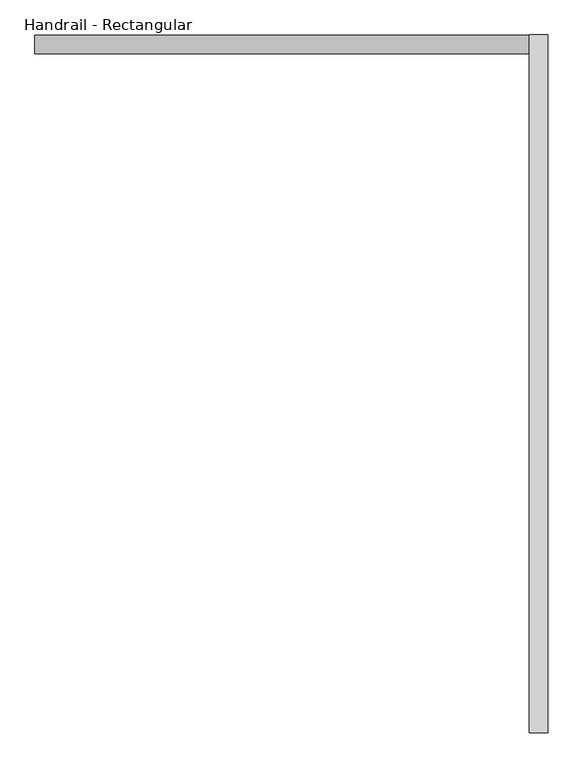
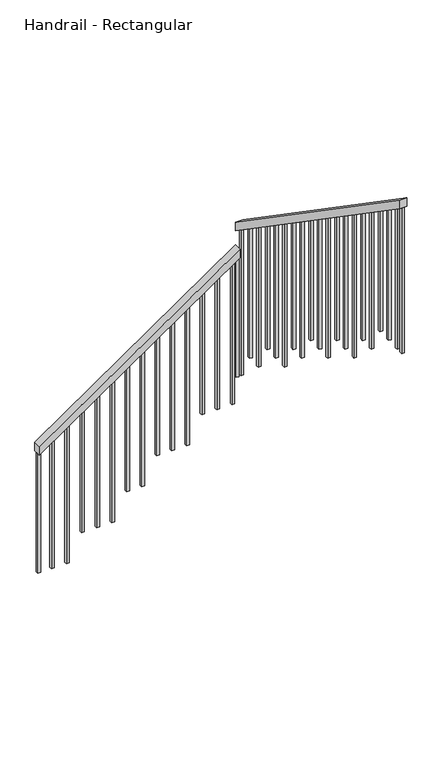
"""IFC4 building model written with IfcOpenShell, lengths in millimetres: railing geometry, Handrail - Rectangular."""

from ifc_helpers import new_model, si_unit, frame, origin, place, context, project, spatial, polyline, outline, extrude, source, transform, mapped, element, save


def handrail_rectangular_86a47a5f(model_context):
    return source(origin(), model_context, "Body", "SweptSolid", [
        extrude(outline(polyline([(-1349.8857143, 1316.6034014), (-1411.5425818, 1316.6034014), (-478.6034284, 2672.9534014), (-416.9465608, 2672.9534014), (-1349.8857143, 1316.6034014)])), frame((0.0, 3511.8058469, 0.0), z_axis=(0.0, 1.0, 0.0), x_axis=(0.0, 0.0, 1.0)), (0.0, 0.0, 1.0), 50.8),
        extrude(outline(polyline([(3562.6058469, -253.0708995), (3562.6058469, -314.727767), (1647.2058469, 1002.7431325), (1647.2058469, 1064.4), (3562.6058469, -253.0708995)])), frame((2672.9534014, 0.0, 0.0), z_axis=(1.0, 0.0, 0.0), x_axis=(0.0, 1.0, 0.0)), (0.0, 0.0, 1.0), 50.8),
        extrude(outline(polyline([(1698.8808469, 967.1994817), (1717.9308469, 954.0963071), (1717.9308469, -35.7142857), (1698.8808469, -35.7142857), (1698.8808469, 967.1994817)])), frame((2688.8284014, 0.0, 0.0), z_axis=(1.0, 0.0, 0.0), x_axis=(0.0, 1.0, 0.0)), (0.0, 0.0, 1.0), 19.05),
        extrude(outline(polyline([(1800.4808469, 897.3158838), (1819.5308469, 884.2127092), (1819.5308469, -35.7142857), (1800.4808469, -35.7142857), (1800.4808469, 897.3158838)])), frame((2688.8284014, 0.0, 0.0), z_axis=(1.0, 0.0, 0.0), x_axis=(0.0, 1.0, 0.0)), (0.0, 0.0, 1.0), 19.05),
        extrude(outline(polyline([(1902.0808469, 827.4322859), (1921.1308469, 814.3291113), (1921.1308469, -35.7142857), (1902.0808469, -35.7142857), (1902.0808469, 827.4322859)])), frame((2688.8284014, 0.0, 0.0), z_axis=(1.0, 0.0, 0.0), x_axis=(0.0, 1.0, 0.0)), (0.0, 0.0, 1.0), 19.05),
        extrude(outline(polyline([(2003.6808469, 757.548688), (2022.7308469, 744.4455134), (2022.7308469, -221.4285714), (2003.6808469, -221.4285714), (2003.6808469, 757.548688)])), frame((2688.8284014, 0.0, 0.0), z_axis=(1.0, 0.0, 0.0), x_axis=(0.0, 1.0, 0.0)), (0.0, 0.0, 1.0), 19.05),
        extrude(outline(polyline([(2105.2808469, 687.6650901), (2124.3308469, 674.5619155), (2124.3308469, -221.4285714), (2105.2808469, -221.4285714), (2105.2808469, 687.6650901)])), frame((2688.8284014, 0.0, 0.0), z_axis=(1.0, 0.0, 0.0), x_axis=(0.0, 1.0, 0.0)), (0.0, 0.0, 1.0), 19.05),
        extrude(outline(polyline([(2206.8808469, 617.7814923), (2225.9308469, 604.6783177), (2225.9308469, -407.1428571), (2206.8808469, -407.1428571), (2206.8808469, 617.7814923)])), frame((2688.8284014, 0.0, 0.0), z_axis=(1.0, 0.0, 0.0), x_axis=(0.0, 1.0, 0.0)), (0.0, 0.0, 1.0), 19.05),
        extrude(outline(polyline([(2308.4808469, 547.8978944), (2327.5308469, 534.7947198), (2327.5308469, -407.1428571), (2308.4808469, -407.1428571), (2308.4808469, 547.8978944)])), frame((2688.8284014, 0.0, 0.0), z_axis=(1.0, 0.0, 0.0), x_axis=(0.0, 1.0, 0.0)), (0.0, 0.0, 1.0), 19.05),
        extrude(outline(polyline([(2410.0808469, 478.0142965), (2429.1308469, 464.9111219), (2429.1308469, -407.1428571), (2410.0808469, -407.1428571), (2410.0808469, 478.0142965)])), frame((2688.8284014, 0.0, 0.0), z_axis=(1.0, 0.0, 0.0), x_axis=(0.0, 1.0, 0.0)), (0.0, 0.0, 1.0), 19.05),
        extrude(outline(polyline([(2511.6808469, 408.1306986), (2530.7308469, 395.027524), (2530.7308469, -592.8571429), (2511.6808469, -592.8571429), (2511.6808469, 408.1306986)])), frame((2688.8284014, 0.0, 0.0), z_axis=(1.0, 0.0, 0.0), x_axis=(0.0, 1.0, 0.0)), (0.0, 0.0, 1.0), 19.05),
        extrude(outline(polyline([(2613.2808469, 338.2471007), (2632.3308469, 325.1439261), (2632.3308469, -592.8571429), (2613.2808469, -592.8571429), (2613.2808469, 338.2471007)])), frame((2688.8284014, 0.0, 0.0), z_axis=(1.0, 0.0, 0.0), x_axis=(0.0, 1.0, 0.0)), (0.0, 0.0, 1.0), 19.05),
        extrude(outline(polyline([(2714.8808469, 268.3635028), (2733.9308469, 255.2603282), (2733.9308469, -592.8571429), (2714.8808469, -592.8571429), (2714.8808469, 268.3635028)])), frame((2688.8284014, 0.0, 0.0), z_axis=(1.0, 0.0, 0.0), x_axis=(0.0, 1.0, 0.0)), (0.0, 0.0, 1.0), 19.05),
        extrude(outline(polyline([(2816.4808469, 198.479905), (2835.5308469, 185.3767304), (2835.5308469, -778.5714286), (2816.4808469, -778.5714286), (2816.4808469, 198.479905)])), frame((2688.8284014, 0.0, 0.0), z_axis=(1.0, 0.0, 0.0), x_axis=(0.0, 1.0, 0.0)), (0.0, 0.0, 1.0), 19.05),
        extrude(outline(polyline([(2918.0808469, 128.5963071), (2937.1308469, 115.4931325), (2937.1308469, -778.5714286), (2918.0808469, -778.5714286), (2918.0808469, 128.5963071)])), frame((2688.8284014, 0.0, 0.0), z_axis=(1.0, 0.0, 0.0), x_axis=(0.0, 1.0, 0.0)), (0.0, 0.0, 1.0), 19.05),
        extrude(outline(polyline([(3019.6808469, 58.7127092), (3038.7308469, 45.6095346), (3038.7308469, -964.2857143), (3019.6808469, -964.2857143), (3019.6808469, 58.7127092)])), frame((2688.8284014, 0.0, 0.0), z_axis=(1.0, 0.0, 0.0), x_axis=(0.0, 1.0, 0.0)), (0.0, 0.0, 1.0), 19.05),
        extrude(outline(polyline([(3121.2808469, -11.1708887), (3140.3308469, -24.2740633), (3140.3308469, -964.2857143), (3121.2808469, -964.2857143), (3121.2808469, -11.1708887)])), frame((2688.8284014, 0.0, 0.0), z_axis=(1.0, 0.0, 0.0), x_axis=(0.0, 1.0, 0.0)), (0.0, 0.0, 1.0), 19.05),
        extrude(outline(polyline([(3222.8808469, -81.0544866), (3241.9308469, -94.1576612), (3241.9308469, -964.2857143), (3222.8808469, -964.2857143), (3222.8808469, -81.0544866)])), frame((2688.8284014, 0.0, 0.0), z_axis=(1.0, 0.0, 0.0), x_axis=(0.0, 1.0, 0.0)), (0.0, 0.0, 1.0), 19.05),
        extrude(outline(polyline([(3324.4808469, -150.9380845), (3343.5308469, -164.0412591), (3343.5308469, -1150.0), (3324.4808469, -1150.0), (3324.4808469, -150.9380845)])), frame((2688.8284014, 0.0, 0.0), z_axis=(1.0, 0.0, 0.0), x_axis=(0.0, 1.0, 0.0)), (0.0, 0.0, 1.0), 19.05),
        extrude(outline(polyline([(3426.0808469, -220.8216823), (3445.1308469, -233.9248569), (3445.1308469, -1150.0), (3426.0808469, -1150.0), (3426.0808469, -220.8216823)])), frame((2688.8284014, 0.0, 0.0), z_axis=(1.0, 0.0, 0.0), x_axis=(0.0, 1.0, 0.0)), (0.0, 0.0, 1.0), 19.05),
        extrude(outline(polyline([(-496.504222, 2646.9284014), (-509.6073966, 2627.8784014), (-1521.4285714, 2627.8784014), (-1521.4285714, 2646.9284014), (-496.504222, 2646.9284014)])), frame((0.0, 3527.6808469, 0.0), z_axis=(0.0, 1.0, 0.0), x_axis=(0.0, 0.0, 1.0)), (0.0, 0.0, 1.0), 19.05),
        extrude(outline(polyline([(-566.3878199, 2545.3284014), (-579.4909945, 2526.2784014), (-1521.4285714, 2526.2784014), (-1521.4285714, 2545.3284014), (-566.3878199, 2545.3284014)])), frame((0.0, 3527.6808469, 0.0), z_axis=(0.0, 1.0, 0.0), x_axis=(0.0, 0.0, 1.0)), (0.0, 0.0, 1.0), 19.05),
        extrude(outline(polyline([(-636.2714178, 2443.7284014), (-649.3745924, 2424.6784014), (-1521.4285714, 2424.6784014), (-1521.4285714, 2443.7284014), (-636.2714178, 2443.7284014)])), frame((0.0, 3527.6808469, 0.0), z_axis=(0.0, 1.0, 0.0), x_axis=(0.0, 0.0, 1.0)), (0.0, 0.0, 1.0), 19.05),
        extrude(outline(polyline([(-706.1550157, 2342.1284014), (-719.2581903, 2323.0784014), (-1707.1428571, 2323.0784014), (-1707.1428571, 2342.1284014), (-706.1550157, 2342.1284014)])), frame((0.0, 3527.6808469, 0.0), z_axis=(0.0, 1.0, 0.0), x_axis=(0.0, 0.0, 1.0)), (0.0, 0.0, 1.0), 19.05),
        extrude(outline(polyline([(-776.0386136, 2240.5284014), (-789.1417882, 2221.4784014), (-1707.1428571, 2221.4784014), (-1707.1428571, 2240.5284014), (-776.0386136, 2240.5284014)])), frame((0.0, 3527.6808469, 0.0), z_axis=(0.0, 1.0, 0.0), x_axis=(0.0, 0.0, 1.0)), (0.0, 0.0, 1.0), 19.05),
        extrude(outline(polyline([(-845.9222114, 2138.9284014), (-859.025386, 2119.8784014), (-1707.1428571, 2119.8784014), (-1707.1428571, 2138.9284014), (-845.9222114, 2138.9284014)])), frame((0.0, 3527.6808469, 0.0), z_axis=(0.0, 1.0, 0.0), x_axis=(0.0, 0.0, 1.0)), (0.0, 0.0, 1.0), 19.05),
        extrude(outline(polyline([(-915.8058093, 2037.3284014), (-928.9089839, 2018.2784014), (-1892.8571429, 2018.2784014), (-1892.8571429, 2037.3284014), (-915.8058093, 2037.3284014)])), frame((0.0, 3527.6808469, 0.0), z_axis=(0.0, 1.0, 0.0), x_axis=(0.0, 0.0, 1.0)), (0.0, 0.0, 1.0), 19.05),
        extrude(outline(polyline([(-985.6894072, 1935.7284014), (-998.7925818, 1916.6784014), (-1892.8571429, 1916.6784014), (-1892.8571429, 1935.7284014), (-985.6894072, 1935.7284014)])), frame((0.0, 3527.6808469, 0.0), z_axis=(0.0, 1.0, 0.0), x_axis=(0.0, 0.0, 1.0)), (0.0, 0.0, 1.0), 19.05),
        extrude(outline(polyline([(-1055.5730051, 1834.1284014), (-1068.6761797, 1815.0784014), (-2078.5714286, 1815.0784014), (-2078.5714286, 1834.1284014), (-1055.5730051, 1834.1284014)])), frame((0.0, 3527.6808469, 0.0), z_axis=(0.0, 1.0, 0.0), x_axis=(0.0, 0.0, 1.0)), (0.0, 0.0, 1.0), 19.05),
        extrude(outline(polyline([(-1125.456603, 1732.5284014), (-1138.5597776, 1713.4784014), (-2078.5714286, 1713.4784014), (-2078.5714286, 1732.5284014), (-1125.456603, 1732.5284014)])), frame((0.0, 3527.6808469, 0.0), z_axis=(0.0, 1.0, 0.0), x_axis=(0.0, 0.0, 1.0)), (0.0, 0.0, 1.0), 19.05),
        extrude(outline(polyline([(-1195.3402009, 1630.9284014), (-1208.4433755, 1611.8784014), (-2078.5714286, 1611.8784014), (-2078.5714286, 1630.9284014), (-1195.3402009, 1630.9284014)])), frame((0.0, 3527.6808469, 0.0), z_axis=(0.0, 1.0, 0.0), x_axis=(0.0, 0.0, 1.0)), (0.0, 0.0, 1.0), 19.05),
        extrude(outline(polyline([(-1265.2237987, 1529.3284014), (-1278.3269733, 1510.2784014), (-2264.2857143, 1510.2784014), (-2264.2857143, 1529.3284014), (-1265.2237987, 1529.3284014)])), frame((0.0, 3527.6808469, 0.0), z_axis=(0.0, 1.0, 0.0), x_axis=(0.0, 0.0, 1.0)), (0.0, 0.0, 1.0), 19.05),
        extrude(outline(polyline([(-1335.1073966, 1427.7284014), (-1348.2105712, 1408.6784014), (-2264.2857143, 1408.6784014), (-2264.2857143, 1427.7284014), (-1335.1073966, 1427.7284014)])), frame((0.0, 3527.6808469, 0.0), z_axis=(0.0, 1.0, 0.0), x_axis=(0.0, 0.0, 1.0)), (0.0, 0.0, 1.0), 19.05),
        extrude(outline(polyline([(3527.6808469, -290.7052802), (3546.7308469, -303.8084548), (3546.7308469, -1335.7142857), (3527.6808469, -1335.7142857), (3527.6808469, -290.7052802)])), frame((2688.8284014, 0.0, 0.0), z_axis=(1.0, 0.0, 0.0), x_axis=(0.0, 1.0, 0.0)), (0.0, 0.0, 1.0), 19.05),
        extrude(outline(polyline([(-476.4195659, 2676.1284014), (-489.5227405, 2657.0784014), (-1335.7142857, 2657.0784014), (-1335.7142857, 2676.1284014), (-476.4195659, 2676.1284014)])), frame((0.0, 3527.6808469, 0.0), z_axis=(0.0, 1.0, 0.0), x_axis=(0.0, 0.0, 1.0)), (0.0, 0.0, 1.0), 19.05),
        extrude(outline(polyline([(1647.2058469, 1002.7431325), (1666.2558469, 989.6399579), (1666.2558469, -35.7142857), (1647.2058469, -35.7142857), (1647.2058469, 1002.7431325)])), frame((2688.8284014, 0.0, 0.0), z_axis=(1.0, 0.0, 0.0), x_axis=(0.0, 1.0, 0.0)), (0.0, 0.0, 1.0), 19.05),
        extrude(outline(polyline([(-1398.4394072, 1335.6534014), (-1411.5425818, 1316.6034014), (-2264.2857143, 1316.6034014), (-2264.2857143, 1335.6534014), (-1398.4394072, 1335.6534014)])), frame((0.0, 3527.6808469, 0.0), z_axis=(0.0, 1.0, 0.0), x_axis=(0.0, 0.0, 1.0)), (0.0, 0.0, 1.0), 19.05),
    ])


if __name__ == "__main__":
    model = new_model("IFC4")
    model_context = context("Model", 3, world=origin())
    ifc_project = project(units=[si_unit("LENGTHUNIT", "METRE", prefix="MILLI")], contexts=[model_context])
    site = spatial("IfcSite", under=ifc_project)
    building = spatial("IfcBuilding", under=site)
    placement = place(None, origin())
    handrail_rectangular_shape = handrail_rectangular_86a47a5f(model_context)
    element("IfcRailing", 1, ObjectType="Handrail - Rectangular", at=placement, inside=building, context=model_context, shape_type="MappedRepresentation", body=[
        mapped(handrail_rectangular_shape, transform((0.0, 0.0, 0.0), x_axis=(1.0, 0.0, 0.0), y_axis=(0.0, 1.0, 0.0), z_axis=(0.0, 0.0, 1.0))),
    ])
    save(model, "model.ifc")
